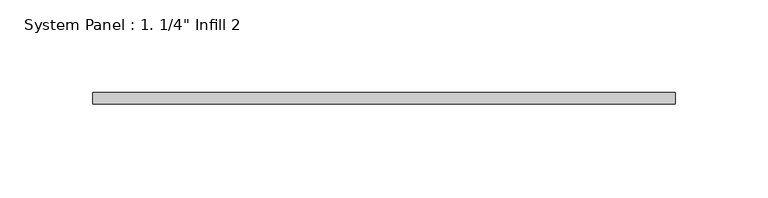
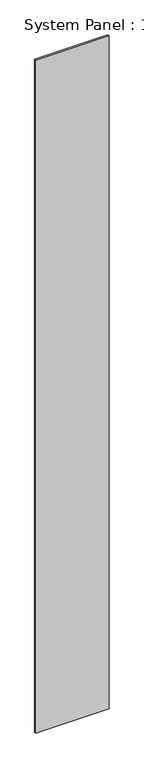
"""IFC4 building model written with IfcOpenShell, lengths in millimetres: plate geometry."""

from ifc_helpers import new_model, si_unit, origin, origin_with_axes, place, context, project, spatial, polyline, outline, extrude, source, transform, mapped, element, save


def plate_89e07f60(model_context):
    return source(origin(), model_context, "Body", "SweptSolid", [
        extrude(outline(polyline([(157.1625001, -6.35), (-157.1625001, -6.35), (-157.1625001, 0.0), (157.1625001, 0.0), (157.1625001, -6.35)])), origin_with_axes(), (0.0, 0.0, 1.0), 3048.0),
    ])


if __name__ == "__main__":
    model = new_model("IFC4")
    model_context = context("Model", 3, world=origin())
    ifc_project = project(units=[si_unit("LENGTHUNIT", "METRE", prefix="MILLI")], contexts=[model_context])
    site = spatial("IfcSite", under=ifc_project)
    building = spatial("IfcBuilding", under=site)
    placement = place(None, origin())
    plate_shape = plate_89e07f60(model_context)
    element("IfcPlate", 1, ObjectType="System Panel : 1. 1/4\" Infill 2", at=placement, inside=building, context=model_context, shape_type="MappedRepresentation", body=[
        mapped(plate_shape, transform((0.0, 0.0, 0.0), x_axis=(1.0, 0.0, 0.0), y_axis=(0.0, 1.0, 0.0), z_axis=(0.0, 0.0, 1.0))),
    ])
    save(model, "model.ifc")
